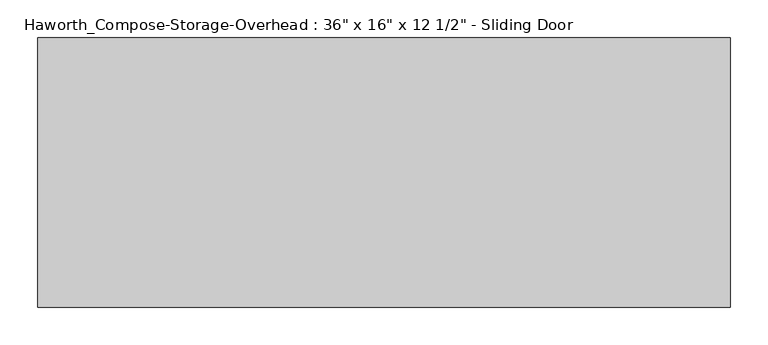
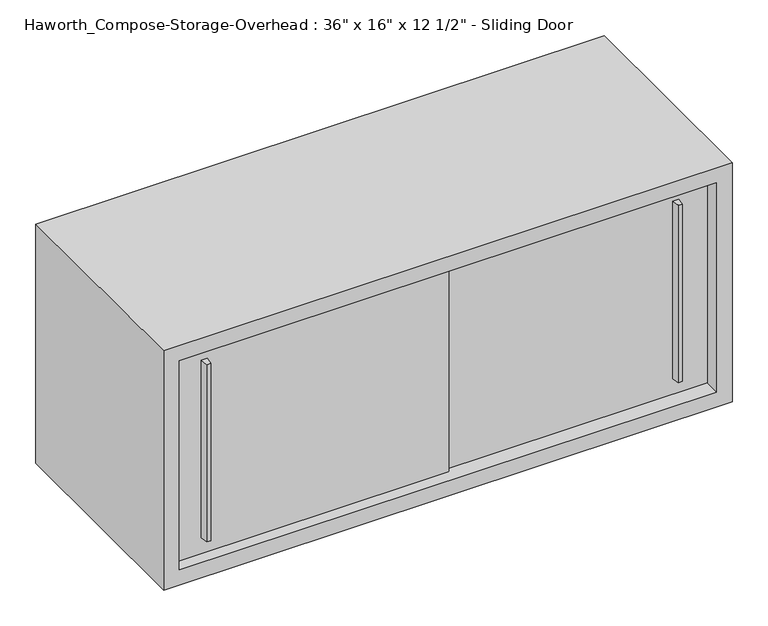
"""IFC4 building model written with IfcOpenShell, lengths in millimetres: furniture geometry."""

from ifc_helpers import new_model, si_unit, frame, origin, place, context, project, spatial, polyline, outline, extrude, source, transform, mapped, element, save


def furniture_547d20bf(model_context):
    return source(origin(), model_context, "Body", "SweptSolid", [
        extrude(outline(polyline([(549.2750004, -342.8999879), (542.9249996, -342.8999879), (541.3375011, -330.2), (550.8624989, -330.2), (549.2750004, -342.8999879)])), frame((0.0, 0.0, 1309.6875), z_axis=(0.0, 0.0, 1.0), x_axis=(1.0, 0.0, 0.0)), (0.0, 0.0, 1.0), 301.625),
        extrude(outline(polyline([(-212.7249996, -349.2499879), (-219.0750004, -349.2499879), (-220.6624989, -336.55), (-211.1375011, -336.55), (-212.7249996, -349.2499879)])), frame((0.0, 0.0, 1309.6875), z_axis=(0.0, 0.0, 1.0), x_axis=(1.0, 0.0, 0.0)), (0.0, 0.0, 1.0), 301.625),
        extrude(outline(polyline([(-266.7, -330.2), (177.8, -330.2), (177.8, -336.55), (-266.7, -336.55), (-266.7, -330.2)])), frame((0.0, 0.0, 1282.7), z_axis=(0.0, 0.0, 1.0), x_axis=(1.0, 0.0, 0.0)), (0.0, 0.0, 1.0), 355.6),
        extrude(outline(polyline([(152.4, -323.85), (596.9, -323.85), (596.9, -330.2), (152.4, -330.2), (152.4, -323.85)])), frame((0.0, 0.0, 1282.7), z_axis=(0.0, 0.0, 1.0), x_axis=(1.0, 0.0, 0.0)), (0.0, 0.0, 1.0), 355.6),
        extrude(outline(polyline([(596.9, -6.35), (-266.7, -6.35), (-266.7, 0.0), (596.9, 0.0), (596.9, -6.35)])), frame((0.0, 0.0, 1282.7), z_axis=(0.0, 0.0, 1.0), x_axis=(1.0, 0.0, 0.0)), (0.0, 0.0, 1.0), 355.6),
        extrude(outline(polyline([(1257.3, 622.3), (1663.7, 622.3), (1663.7, -292.1), (1257.3, -292.1), (1257.3, 622.3)]), holes=[polyline([(1638.3, 596.9), (1282.7, 596.9), (1282.7, -266.7), (1638.3, -266.7), (1638.3, 596.9)])]), frame((0.0, -355.6, 0.0), z_axis=(0.0, 1.0, 0.0), x_axis=(0.0, 0.0, 1.0)), (0.0, 0.0, 1.0), 355.6),
    ])


if __name__ == "__main__":
    model = new_model("IFC4")
    model_context = context("Model", 3, world=origin())
    ifc_project = project(units=[si_unit("LENGTHUNIT", "METRE", prefix="MILLI")], contexts=[model_context])
    site = spatial("IfcSite", under=ifc_project)
    building = spatial("IfcBuilding", under=site)
    placement = place(None, origin())
    furniture_shape = furniture_547d20bf(model_context)
    element("IfcFurniture", 1, ObjectType="Haworth_Compose-Storage-Overhead : 36\" x 16\" x 12 1/2\" - Sliding Door", at=placement, inside=building, context=model_context, shape_type="MappedRepresentation", body=[
        mapped(furniture_shape, transform((0.0, 0.0, 0.0), x_axis=(1.0, 0.0, 0.0), y_axis=(0.0, 1.0, 0.0), z_axis=(0.0, 0.0, 1.0))),
    ])
    save(model, "model.ifc")
